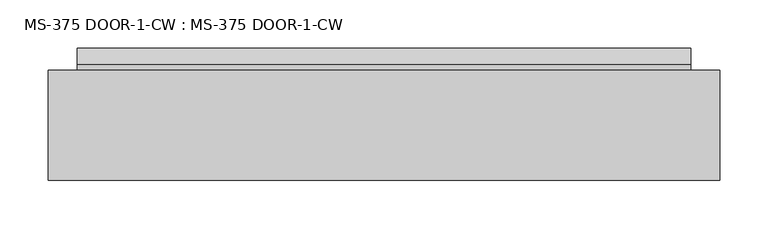
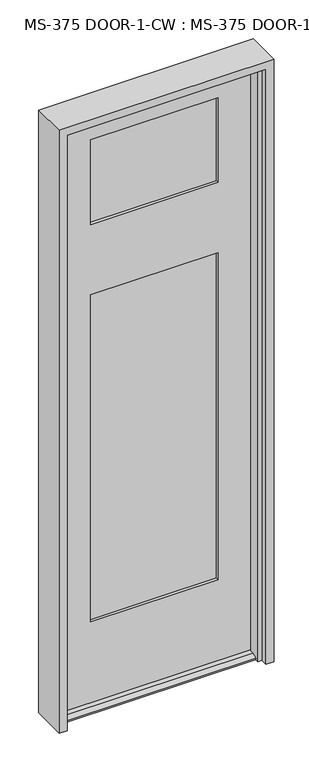
"""IFC4 building model written with IfcOpenShell, lengths in millimetres: plate geometry, MS-375 DOOR-1-CW : MS-375 DOOR-1-CW."""

import ifcopenshell
import ifcopenshell.guid

model = None  # the IFC model being written
_history = None  # IfcOwnerHistory: only IFC2X3 demands one
_inside = {}  # id of a spatial element -> (the spatial element, [elements in it])
_under = {}  # id of a project, library or spatial element -> (it, [spatial elements below it])
_declared = {}  # id of a project -> (the project, [libraries it declares])
_typed = {}  # id of a type object -> (the type object, [elements of that type])
_made_of = {}  # id of a material, layer set ... -> (it, [elements and type objects made of it])


def new_model(schema):
    """Start an empty IFC model of exactly this schema.

    Asked for "IFC4X3", IfcOpenShell would pick the latest addendum, in which some entities
    have other attributes; the version numbers below select the first issue.
    IFC2X3 requires an IfcOwnerHistory on every rooted entity: one is made here for all.
    """
    global model, _history
    if schema == "IFC4X3":
        model = ifcopenshell.file(schema_version=(4, 3, 0, 0))
    else:
        model = ifcopenshell.file(schema=schema)
    _inside.clear()
    _under.clear()
    _declared.clear()
    _typed.clear()
    _made_of.clear()
    _history = None
    if model.schema == "IFC2X3":
        org = make("IfcOrganization", Name="unknown")
        user = make(
            "IfcPersonAndOrganization",
            ThePerson=make("IfcPerson", FamilyName="unknown"),
            TheOrganization=org,
        )
        app = make(
            "IfcApplication",
            ApplicationDeveloper=org,
            Version="unknown",
            ApplicationFullName="unknown",
            ApplicationIdentifier="unknown",
        )
        _history = make(
            "IfcOwnerHistory",
            OwningUser=user,
            OwningApplication=app,
            ChangeAction="ADDED",
            CreationDate=0,
        )
    return model


def make(cls, **values):
    """One entity of the class cls with the attributes given. An attribute that is None is left unset."""
    return model.create_entity(
        cls, **{name: value for name, value in values.items() if value is not None}
    )


def rooted(cls, **values):
    """An entity with a GlobalId (a new one), such as an element, a storey or a relation."""
    return make(cls, GlobalId=ifcopenshell.guid.new(), OwnerHistory=_history, **values)


def si_unit(unit_type, name, prefix=None):
    """IfcSIUnit, for example si_unit("LENGTHUNIT", "METRE", prefix="MILLI")."""
    return make("IfcSIUnit", UnitType=unit_type, Prefix=prefix, Name=name)


def assignment(units):
    """IfcUnitAssignment: the units of a project."""
    return None if units is None else make("IfcUnitAssignment", Units=units)


def point(xyz):
    """IfcCartesianPoint."""
    return None if xyz is None else make("IfcCartesianPoint", Coordinates=xyz)


def direction(xyz):
    """IfcDirection."""
    return None if xyz is None else make("IfcDirection", DirectionRatios=xyz)


def frame(location, z_axis=None, x_axis=None):
    """IfcAxis2Placement3D, a coordinate frame: its origin and axes. An axis left out is left unset."""
    return make(
        "IfcAxis2Placement3D",
        Location=point(location),
        Axis=direction(z_axis),
        RefDirection=direction(x_axis),
    )


def origin():
    """The frame at (0, 0, 0) with its axes left unset."""
    return frame((0.0, 0.0, 0.0))


def place(relative_to, where):
    """IfcLocalPlacement: puts the frame where relative to a parent placement (None: the world)."""
    return make(
        "IfcLocalPlacement", PlacementRelTo=relative_to, RelativePlacement=where
    )


def context(
    kind, dimensions, precision=None, world=None, true_north=None, identifier=None
):
    """IfcGeometricRepresentationContext, for example the 3D "Model" context."""
    return make(
        "IfcGeometricRepresentationContext",
        ContextIdentifier=identifier,
        ContextType=kind,
        CoordinateSpaceDimension=dimensions,
        Precision=precision,
        WorldCoordinateSystem=world,
        TrueNorth=true_north,
    )


def project(units=None, contexts=None):
    """IfcProject with its units and contexts."""
    return rooted(
        "IfcProject",
        Name="project",
        RepresentationContexts=contexts,
        UnitsInContext=assignment(units),
    )


def spatial(cls, under=None, at=None, **own):
    """A site, building, storey or space (cls), placed at a placement, below another one or the project."""
    s = rooted(cls, ObjectPlacement=at, **own)
    if under is not None:
        _under.setdefault(under.id(), (under, []))[1].append(s)
    return s


def polyline(points):
    """IfcPolyline through the points."""
    return make("IfcPolyline", Points=[point(p) for p in points])


def outline(outer, holes=None, kind="AREA"):
    """IfcArbitraryClosedProfileDef: a profile drawn as a closed curve; with holes, ...WithVoids."""
    if holes is None:
        return make("IfcArbitraryClosedProfileDef", ProfileType=kind, OuterCurve=outer)
    return make(
        "IfcArbitraryProfileDefWithVoids",
        ProfileType=kind,
        OuterCurve=outer,
        InnerCurves=holes,
    )


def extrude(swept, where, along, depth):
    """IfcExtrudedAreaSolid: the profile swept, set in the frame where, extruded along a direction by depth."""
    return make(
        "IfcExtrudedAreaSolid",
        SweptArea=swept,
        Position=where,
        ExtrudedDirection=direction(along),
        Depth=depth,
    )


def faces_of(points, faces, orient=None, outer=None):
    """IfcFace entities. A face is a list of loops; a loop is a list of indices into points, from 0.

    orient and outer hold one flag for each loop. By default every Orientation is true, the
    first loop of a face is its IfcFaceOuterBound and the others are IfcFaceBound.
    """
    made = []
    for i, loops in enumerate(faces):
        bounds = []
        for j, loop in enumerate(loops):
            is_outer = j == 0 if outer is None else outer[i][j]
            bounds.append(
                make(
                    "IfcFaceOuterBound" if is_outer else "IfcFaceBound",
                    Bound=make("IfcPolyLoop", Polygon=[points[k] for k in loop]),
                    Orientation=True if orient is None else orient[i][j],
                )
            )
        made.append(make("IfcFace", Bounds=bounds))
    return made


def faceted_brep(points, faces, orient=None, outer=None, voids=None):
    """IfcFacetedBrep: a solid bounded by flat faces; with voids (closed shells), ...WithVoids."""
    shared = [point(p) for p in points]
    hull = make("IfcClosedShell", CfsFaces=faces_of(shared, faces, orient, outer))
    if voids is None:
        return make("IfcFacetedBrep", Outer=hull)
    return make(
        "IfcFacetedBrepWithVoids",
        Outer=hull,
        Voids=[
            make(cls, CfsFaces=faces_of(shared, fs, o, b)) for cls, fs, o, b in voids
        ],
    )


def shape(context_of_items, identifier, shape_type, items):
    """IfcShapeRepresentation: the items that make up one representation, for example the "Body"."""
    return make(
        "IfcShapeRepresentation",
        ContextOfItems=context_of_items,
        RepresentationIdentifier=identifier,
        RepresentationType=shape_type,
        Items=items,
    )


def source(mapping_origin, context_of_items, identifier, shape_type, items):
    """IfcRepresentationMap: a shape defined once, which mapped items show again and again."""
    return make(
        "IfcRepresentationMap",
        MappingOrigin=mapping_origin,
        MappedRepresentation=shape(context_of_items, identifier, shape_type, items),
    )


def transform(
    local_origin,
    x_axis=None,
    y_axis=None,
    z_axis=None,
    scale=None,
    scale2=None,
    scale3=None,
    uniform=True,
):
    """IfcCartesianTransformationOperator3D, or its non-uniform kind. x_axis, y_axis, z_axis: its Axis1, 2, 3."""
    if uniform:
        return make(
            "IfcCartesianTransformationOperator3D",
            Axis1=direction(x_axis),
            Axis2=direction(y_axis),
            LocalOrigin=point(local_origin),
            Scale=scale,
            Axis3=direction(z_axis),
        )
    return make(
        "IfcCartesianTransformationOperator3DnonUniform",
        Axis1=direction(x_axis),
        Axis2=direction(y_axis),
        LocalOrigin=point(local_origin),
        Scale=scale,
        Axis3=direction(z_axis),
        Scale2=scale2,
        Scale3=scale3,
    )


def mapped(mapping_source, mapping_target):
    """IfcMappedItem: shows the shape of a source again, moved by a transform."""
    return make(
        "IfcMappedItem", MappingSource=mapping_source, MappingTarget=mapping_target
    )


def made_of(thing, what):
    """Note that an element or type object is made of a material, layer set ...; save() writes the relation."""
    if what is not None:
        _made_of.setdefault(what.id(), (what, []))[1].append(thing)
    return thing


def element(
    cls,
    number,
    at=None,
    inside=None,
    cuts=None,
    type_object=None,
    material=None,
    context=None,
    identifier="Body",
    shape_type=None,
    held_by="IfcProductDefinitionShape",
    body=None,
    shapes=None,
    **own,
):
    """One element of the class cls, such as IfcWall. Its Tag is "e" and its number.

    at: its placement. inside: the storey or other place that contains it. cuts: it is an
    opening in that element (IfcRelVoidsElement). A single representation is given by context,
    identifier, shape_type and body (its items); several are given by shapes. held_by: the class
    of the entity that holds the representations. save() writes the other relations.
    """
    e = rooted(cls, Tag="e%d" % number, ObjectPlacement=at, **own)
    if body is not None:
        shapes = [shape(context, identifier, shape_type, body)]
    if shapes is not None:
        e.Representation = make(held_by, Representations=shapes)
    if inside is not None:
        _inside.setdefault(inside.id(), (inside, []))[1].append(e)
    if cuts is not None:
        rooted(
            "IfcRelVoidsElement", RelatingBuildingElement=cuts, RelatedOpeningElement=e
        )
    if type_object is not None:
        _typed.setdefault(type_object.id(), (type_object, []))[1].append(e)
    return made_of(e, material)


def aggregate(whole, parts):
    """IfcRelAggregates: a whole, such as a stair, and the parts it consists of."""
    return rooted("IfcRelAggregates", RelatingObject=whole, RelatedObjects=parts)


def save(model, path):
    """Write the relations noted so far, then the file.

    IfcRelAggregates (storeys below a building ...), IfcRelContainedInSpatialStructure (elements
    in a storey), IfcRelDefinesByType, IfcRelAssociatesMaterial and IfcRelDeclares: one each for
    every whole, place, type object, material and project.
    """
    for whole, parts in _under.values():
        aggregate(whole, parts)
    for where, things in _inside.values():
        rooted(
            "IfcRelContainedInSpatialStructure",
            RelatedElements=things,
            RelatingStructure=where,
        )
    for kind, things in _typed.values():
        rooted("IfcRelDefinesByType", RelatedObjects=things, RelatingType=kind)
    for what, things in _made_of.values():
        rooted("IfcRelAssociatesMaterial", RelatedObjects=things, RelatingMaterial=what)
    for by, libraries in _declared.values():
        rooted("IfcRelDeclares", RelatingContext=by, RelatedDefinitions=libraries)
    model.write(path)


def ms_375_door_1_cw_ms_375_door_1_cw_f15f4e8d(model_context):
    return source(origin(), model_context, "Body", "SolidModel", [
        faceted_brep([(318.7192, -45.3085632, 12.7), (318.7192, -61.9583086, 12.7), (318.7192, -78.646154, 4.9183299), (318.7192, -78.646154, 0.0003044), (318.7192, -45.3085632, 0.0003044), (318.7192, 22.9539368, 0.0003044), (318.7192, 22.9539368, 4.9183299), (318.7192, 6.2660914, 12.7), (318.7192, -0.8585632, 12.7), (318.7192, -0.8585632, 0.0003044), (-318.70015, -0.8585632, 12.7), (-318.70015, 6.2660914, 12.7), (-318.70015, 22.9539368, 4.9183299), (-318.70015, 22.9539368, 0.0003044), (-318.70015, -0.8585632, 0.0003044), (-318.70015, -78.646154, 0.0003044), (-318.70015, -78.646154, 4.9183299), (-318.70015, -61.9583086, 12.7), (-318.70015, -45.3085632, 12.7), (-318.70015, -45.3085632, 0.0003044), (214.33155, -35.7835632, 283.36875), (214.33155, -10.3835632, 283.36875), (-214.3125, -10.3835632, 283.36875), (-214.3125, -35.7835632, 283.36875), (207.1878, -45.3085632, 290.5125), (207.1878, -35.7835632, 290.5125), (-207.16875, -35.7835632, 290.5125), (-207.16875, -45.3085632, 290.5125), (207.1878, -10.3835632, 290.5125), (207.1878, -0.8585632, 290.5125), (-207.16875, -0.8585632, 290.5125), (-207.16875, -10.3835632, 290.5125), (214.33155, -35.7835632, 1421.2189), (-214.3125, -35.7835632, 1421.2189), (-214.3125, -10.3835632, 1421.2189), (214.33155, -10.3835632, 1421.2189), (-207.16875, -0.8585632, 1414.07515), (207.1878, -0.8585632, 1414.07515), (207.1878, -10.3835632, 1414.07515), (-207.16875, -10.3835632, 1414.07515), (207.1878, -0.8585632, 1655.37515), (-207.16875, -0.8585632, 1655.37515), (-207.16875, -10.3835632, 1655.37515), (207.1878, -10.3835632, 1655.37515), (-214.3125, -35.7835632, 1648.2314), (214.33155, -35.7835632, 1648.2314), (214.33155, -10.3835632, 1648.2314), (-214.3125, -10.3835632, 1648.2314), (207.1878, -35.7835632, 1655.37515), (-207.16875, -35.7835632, 1655.37515), (-207.16875, -45.3085632, 1655.37515), (207.1878, -45.3085632, 1655.37515), (-207.16875, -35.7835632, 1414.07515), (207.1878, -35.7835632, 1414.07515), (207.1878, -45.3085632, 1414.07515), (-207.16875, -45.3085632, 1414.07515), (318.7192, -45.3085632, 2041.9314), (321.4878, -0.8585632, 2041.9314), (-321.46875, -0.8585632, 2041.9314), (-318.70015, -45.3085632, 2041.9314), (207.1878, -0.8585632, 1945.88765), (207.1878, -10.3835632, 1945.88765), (-207.16875, -10.3835632, 1945.88765), (-207.16875, -0.8585632, 1945.88765), (214.33155, -10.3835632, 1953.0314), (214.33155, -35.7835632, 1953.0314), (-214.3125, -35.7835632, 1953.0314), (-214.3125, -10.3835632, 1953.0314), (207.1878, -45.3085632, 1945.88765), (207.1878, -35.7835632, 1945.88765), (-207.16875, -45.3085632, 1945.88765), (-207.16875, -35.7835632, 1945.88765), (-321.46875, -0.8585632, 0.0003044), (321.4878, -0.8585632, 0.0003044)], [[[0, 1, 2, 3, 4]], [[5, 6, 7, 8, 9]], [[10, 11, 12, 13, 14]], [[15, 16, 17, 18, 19]], [[20, 21, 22, 23]], [[24, 25, 26, 27]], [[1, 0, 18, 17]], [[7, 6, 12, 11]], [[28, 29, 30, 31]], [[32, 33, 34, 35]], [[36, 37, 38, 39]], [[40, 41, 42, 43]], [[44, 45, 46, 47]], [[48, 49, 50, 51]], [[52, 53, 54, 55]], [[56, 57, 58, 59]], [[60, 61, 62, 63]], [[64, 65, 66, 67]], [[29, 28, 38, 37]], [[61, 60, 40, 43]], [[45, 65, 64, 46]], [[35, 21, 20, 32]], [[25, 24, 54, 53]], [[68, 69, 48, 51]], [[69, 68, 70, 71]], [[66, 65, 45, 44], [69, 71, 49, 48]], [[20, 23, 33, 32], [26, 25, 53, 52]], [[56, 59, 18, 0], [70, 68, 51, 50], [27, 55, 54, 24]], [[2, 1, 17, 16]], [[3, 2, 16, 15]], [[3, 15, 19, 72, 14, 13, 5, 9, 73, 4]], [[6, 5, 13, 12]], [[8, 7, 11, 10]], [[57, 73, 9, 8, 10, 14, 72, 58], [30, 29, 37, 36], [63, 41, 40, 60]], [[22, 21, 35, 34], [28, 31, 39, 38]], [[64, 67, 47, 46], [62, 61, 43, 42]], [[18, 59, 58, 72, 19]], [[27, 26, 52, 55]], [[71, 70, 50, 49]], [[33, 23, 22, 34]], [[47, 67, 66, 44]], [[31, 30, 36, 39]], [[63, 62, 42, 41]], [[57, 56, 0, 4, 73]]]),
        extrude(outline(polyline([(-214.3125, -16.6827632), (-214.3125, -10.3835632), (214.33155, -10.3835632), (214.33155, -16.6827632), (-214.3125, -16.6827632)])), frame((0.0, 0.0, 283.36875), z_axis=(0.0, 0.0, 1.0), x_axis=(1.0, 0.0, 0.0)), (0.0, 0.0, 1.0), 1137.85015),
        extrude(outline(polyline([(-214.3125, -35.7835632), (-214.3125, -29.4843632), (214.33155, -29.4843632), (214.33155, -35.7835632), (-214.3125, -35.7835632)])), frame((0.0, 0.0, 283.36875), z_axis=(0.0, 0.0, 1.0), x_axis=(1.0, 0.0, 0.0)), (0.0, 0.0, 1.0), 1137.85015),
        extrude(outline(polyline([(214.33155, -35.7835632), (-214.3125, -35.7835632), (-214.3125, -29.4843632), (214.33155, -29.4843632), (214.33155, -35.7835632)])), frame((0.0, 0.0, 1648.2314), z_axis=(0.0, 0.0, 1.0), x_axis=(1.0, 0.0, 0.0)), (0.0, 0.0, 1.0), 304.8),
        extrude(outline(polyline([(-214.3125, -10.3835632), (214.33155, -10.3835632), (214.33155, -16.6827632), (-214.3125, -16.6827632), (-214.3125, -10.3835632)])), frame((0.0, 0.0, 1648.2314), z_axis=(0.0, 0.0, 1.0), x_axis=(1.0, 0.0, 0.0)), (0.0, 0.0, 1.0), 304.8),
        faceted_brep([(-349.25, -114.3, 2070.5064), (-349.25, 0.0, 2070.5064), (-349.25, 0.0, 0.0), (-349.25, -114.3, 0.0), (349.25, 0.0, 2070.5064), (349.25, -114.3, 2070.5064), (349.25, -114.3, 0.0), (349.25, 0.0, 0.0), (311.15, -91.313, 0.0), (323.85, -91.313, 0.0), (323.85, -91.313, 2045.1064), (-323.85, -91.313, 2045.1064), (-323.85, -91.313, 0.0), (-311.15, -91.313, 0.0), (-311.15, -91.313, 2032.4064), (311.15, -91.313, 2032.4064), (323.85, -114.3, 2045.1064), (-323.85, -114.3, 2045.1064), (-323.85, -114.3, 0.0), (323.85, -114.3, 0.0), (323.85, 0.0, 0.0), (323.85, 0.0, 2045.1064), (-323.85, 0.0, 2045.1064), (-323.85, 0.0, 0.0), (323.85, -50.038, 2045.1064), (-323.85, -50.038, 2045.1064), (323.85, -50.038, 0.0), (311.15, -50.038, 0.0), (311.15, -50.038, 2032.4064), (-311.15, -50.038, 2032.4064), (-311.15, -50.038, 0.0), (-323.85, -50.038, 0.0)], [[[0, 1, 2, 3]], [[4, 5, 6, 7]], [[8, 9, 10, 11, 12, 13, 14, 15]], [[11, 10, 16, 17]], [[0, 3, 18, 17, 16, 19, 6, 5]], [[4, 1, 0, 5]], [[2, 1, 4, 7, 20, 21, 22, 23]], [[21, 24, 25, 22]], [[26, 27, 28, 29, 30, 31, 25, 24]], [[28, 15, 14, 29]], [[27, 26, 20, 7, 6, 19, 9, 8]], [[20, 26, 24, 21]], [[9, 19, 16, 10]], [[27, 8, 15, 28]], [[30, 13, 12, 18, 3, 2, 23, 31]], [[13, 30, 29, 14]], [[18, 12, 11, 17]], [[25, 31, 23, 22]]]),
    ])


if __name__ == "__main__":
    model = new_model("IFC4")
    model_context = context("Model", 3, world=origin())
    ifc_project = project(units=[si_unit("LENGTHUNIT", "METRE", prefix="MILLI")], contexts=[model_context])
    site = spatial("IfcSite", under=ifc_project)
    building = spatial("IfcBuilding", under=site)
    placement = place(None, origin())
    ms_375_door_1_cw_ms_375_door_1_cw_shape = ms_375_door_1_cw_ms_375_door_1_cw_f15f4e8d(model_context)
    element("IfcPlate", 1, ObjectType="MS-375 DOOR-1-CW : MS-375 DOOR-1-CW", at=placement, inside=building, context=model_context, shape_type="MappedRepresentation", body=[
        mapped(ms_375_door_1_cw_ms_375_door_1_cw_shape, transform((0.0, 0.0, 0.0), x_axis=(1.0, 0.0, 0.0), y_axis=(0.0, 1.0, 0.0), z_axis=(0.0, 0.0, 1.0))),
    ])
    save(model, "model.ifc")
